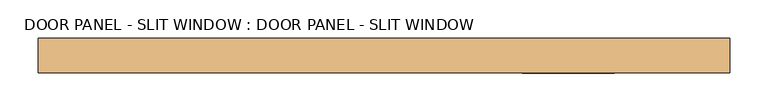
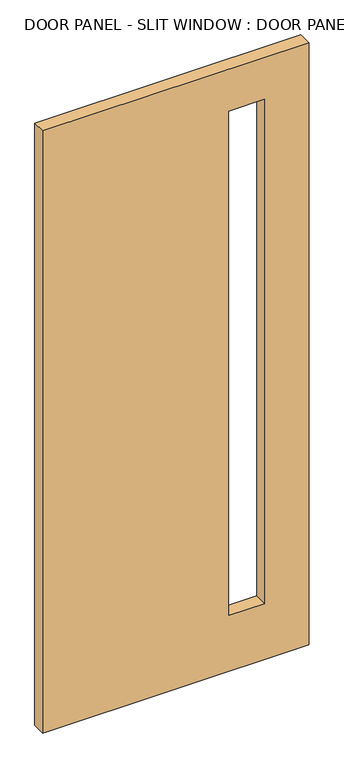
"""IFC4 building model written with IfcOpenShell, lengths in millimetres: door geometry, DOOR PANEL - SLIT WINDOW : DOOR PANEL - SLIT WINDOW."""

from ifc_helpers import new_model, si_unit, frame, origin, place, context, project, spatial, polyline, outline, extrude, source, transform, mapped, element, save


def door_panel_slit_window_door_panel_slit_window_4368124e(model_context):
    return source(origin(), model_context, "Body", "SweptSolid", [
        extrude(outline(polyline([(0.0, 450.0), (2150.0, 450.0), (2150.0, -450.0), (0.0, -450.0), (0.0, 450.0)]), holes=[polyline([(2000.0, 300.0), (200.0, 300.0), (200.0, 180.0), (2000.0, 180.0), (2000.0, 300.0)])]), frame((0.0, -22.5, 0.0), z_axis=(0.0, 1.0, 0.0), x_axis=(0.0, 0.0, 1.0)), (0.0, 0.0, 1.0), 45.0),
    ])


if __name__ == "__main__":
    model = new_model("IFC4")
    model_context = context("Model", 3, world=origin())
    ifc_project = project(units=[si_unit("LENGTHUNIT", "METRE", prefix="MILLI")], contexts=[model_context])
    site = spatial("IfcSite", under=ifc_project)
    building = spatial("IfcBuilding", under=site)
    placement = place(None, origin())
    door_panel_slit_window_door_panel_slit_window_shape = door_panel_slit_window_door_panel_slit_window_4368124e(model_context)
    element("IfcDoor", 1, ObjectType="DOOR PANEL - SLIT WINDOW : DOOR PANEL - SLIT WINDOW", at=placement, inside=building, context=model_context, shape_type="MappedRepresentation", body=[
        mapped(door_panel_slit_window_door_panel_slit_window_shape, transform((0.0, 0.0, 0.0), x_axis=(1.0, 0.0, 0.0), y_axis=(0.0, 1.0, 0.0), z_axis=(0.0, 0.0, 1.0))),
    ])
    save(model, "model.ifc")
